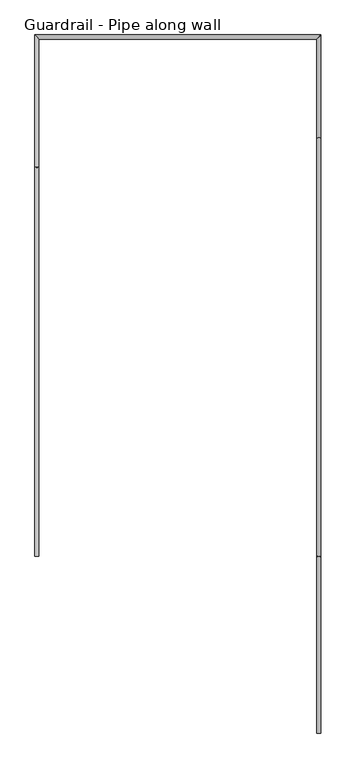
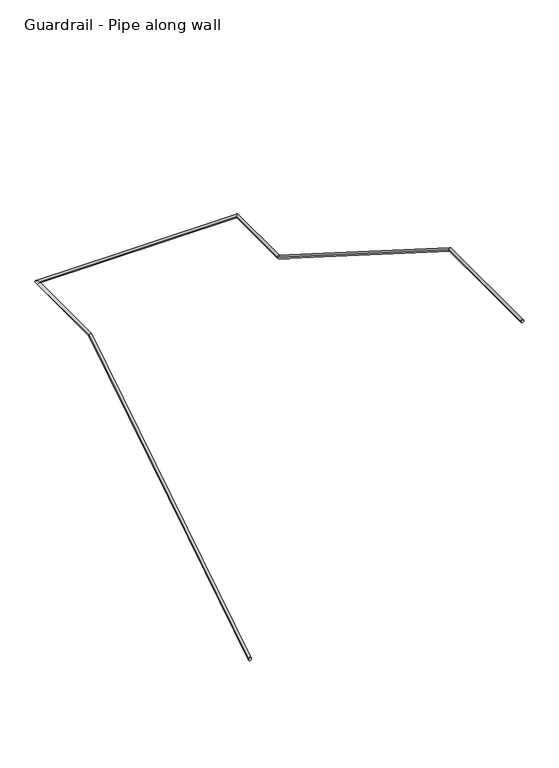
"""IFC4 building model written with IfcOpenShell, lengths in millimetres: railing geometry, Guardrail - Pipe along wall."""

from ifc_helpers import new_model, si_unit, frame, origin, place, context, project, spatial, circle_curve, ellipse_curve, source, transform, mapped, element, save
from ifc_brep_helpers import plane_surface, cylinder_surface, advanced_brep


def guardrail_pipe_along_wall_f0e0dd3e(model_context):
    return source(origin(), model_context, "Body", "AdvancedBrep", [
        advanced_brep(
        [(660871.2754676, -293345.4080223, 916.3134838), (660833.1754676, -293345.4080223, 916.3134838), (660833.1754676, -289707.6854408, 3218.9796296), (660871.2754676, -289707.6854408, 3218.9796296), (660833.1754676, -288474.9580223, 3218.9796296), (660871.2754676, -288513.0580223, 3218.9796296), (663504.1957983, -288474.9580223, 3218.9796296), (663466.0957983, -288513.0580223, 3218.9796296), (663504.1957983, -289439.3306039, 3218.9796296), (663466.0957983, -289439.3306039, 3218.9796296), (663504.1957983, -293350.9306039, 5695.0092593), (663466.0957983, -293350.9306039, 5695.0092593), (663466.0957983, -294996.4080223, 5695.0092593), (663504.1957983, -294996.4080223, 5695.0092593)],
        [
            (0, 1, ellipse_curve(frame((660852.2254676, -293345.4080223, 916.3134838), z_axis=(0.0, -1.0, 0.0), x_axis=(0.0, 0.0, -1.0)), 22.5457755, 19.05)),
            (1, 0, ellipse_curve(frame((660852.2254676, -293345.4080223, 916.3134838), z_axis=(0.0, -1.0, 0.0), x_axis=(0.0, 0.0, -1.0)), 22.5457755, 19.05)),
            (1, 2),
            (2, 3, ellipse_curve(frame((660852.2254676, -289707.6854408, 3218.9796296), z_axis=(0.0, -0.9604550090529093, -0.27843522691135153), x_axis=(0.0, 0.2784352269113508, -0.9604550090529096)), 19.8343492, 19.05)),
            (3, 0),
            (3, 2, ellipse_curve(frame((660852.2254676, -289707.6854408, 3218.9796296), z_axis=(0.0, -0.9604550090529093, -0.27843522691135153), x_axis=(0.0, 0.2784352269113508, -0.9604550090529096)), 19.8343492, 19.05)),
            (2, 4),
            (4, 5, ellipse_curve(frame((660852.2254676, -288494.0080223, 3218.9796296), z_axis=(-0.7071067811866005, -0.7071067811864945, 0.0), x_axis=(0.7071067811864946, -0.7071067811866004, 0.0)), 26.9407684, 19.05)),
            (5, 3),
            (5, 4, ellipse_curve(frame((660852.2254676, -288494.0080223, 3218.9796296), z_axis=(-0.7071067811866005, -0.7071067811864945, 0.0), x_axis=(0.7071067811864946, -0.7071067811866004, 0.0)), 26.9407684, 19.05)),
            (4, 6),
            (6, 7, ellipse_curve(frame((663485.1457983, -288494.0080223, 3218.9796296), z_axis=(-0.7071067811864945, 0.7071067811866005, 0.0), x_axis=(-0.7071067811866005, -0.7071067811864944, 0.0)), 26.9407684, 19.05)),
            (7, 5),
            (7, 6, ellipse_curve(frame((663485.1457983, -288494.0080223, 3218.9796296), z_axis=(-0.7071067811864945, 0.7071067811866005, 0.0), x_axis=(-0.7071067811866005, -0.7071067811864944, 0.0)), 26.9407684, 19.05)),
            (6, 8),
            (8, 9, ellipse_curve(frame((663485.1457983, -289439.3306039, 3218.9796296), z_axis=(0.0, 0.9604550090529086, -0.27843522691135364), x_axis=(0.0, 0.2784352269113546, 0.9604550090529084)), 19.8343492, 19.05)),
            (9, 7),
            (9, 8, ellipse_curve(frame((663485.1457983, -289439.3306039, 3218.9796296), z_axis=(0.0, 0.9604550090529086, -0.27843522691135364), x_axis=(0.0, 0.2784352269113546, 0.9604550090529084)), 19.8343492, 19.05)),
            (8, 10),
            (10, 11, ellipse_curve(frame((663485.1457983, -293350.9306039, 5695.0092593), z_axis=(0.0, 0.9604550090529086, -0.2784352269113537), x_axis=(0.0, -0.27843522691135303, -0.9604550090529088)), 19.8343492, 19.05)),
            (11, 9),
            (11, 10, ellipse_curve(frame((663485.1457983, -293350.9306039, 5695.0092593), z_axis=(0.0, 0.9604550090529086, -0.2784352269113537), x_axis=(0.0, -0.27843522691135303, -0.9604550090529088)), 19.8343492, 19.05)),
            (12, 13, circle_curve(frame((663485.1457983, -294996.4080223, 5695.0092593), z_axis=(0.0, -1.0, 0.0), x_axis=(1.0, 0.0, 0.0)), 19.05)),
            (13, 12, circle_curve(frame((663485.1457983, -294996.4080223, 5695.0092593), z_axis=(0.0, -1.0, 0.0), x_axis=(1.0, 0.0, 0.0)), 19.05)),
            (10, 13),
            (12, 11),
        ],
        [
            plane_surface(frame((660852.2254676, -293345.4080223, 938.8592593), z_axis=(0.0, -1.0, 0.0), x_axis=(0.0, 0.0, 1.0))),
            cylinder_surface(frame((660852.2254676, -293335.2191486, 922.7630065), z_axis=(0.0, -0.8449476488296483, -0.534849016767582), x_axis=(-1.0, 0.0, 0.0)), 19.05),
            cylinder_surface(frame((660852.2254676, -289713.2080223, 3218.9796296), z_axis=(0.0, -1.0, 0.0), x_axis=(-1.0, 0.0, 0.0)), 19.05),
            cylinder_surface(frame((660852.2254676, -288494.0080223, 3218.9796296), z_axis=(-1.0, 0.0, 0.0), x_axis=(0.0, 1.0, 0.0)), 19.05),
            cylinder_surface(frame((663485.1457983, -288494.0080223, 3218.9796296), z_axis=(0.0, 1.0, 0.0), x_axis=(1.0, 0.0, 0.0)), 19.05),
            cylinder_surface(frame((663485.1457983, -289443.9968961, 3221.9333769), z_axis=(0.0, 0.844947648829646, -0.5348490167675858), x_axis=(1.0, 0.0, 0.0)), 19.05),
            plane_surface(frame((663485.1457983, -294996.4080223, 5714.0592593), z_axis=(0.0, -1.0, 0.0), x_axis=(0.0, 0.0, -1.0))),
            cylinder_surface(frame((663485.1457983, -293345.4080223, 5695.0092593), z_axis=(0.0, 1.0, 0.0), x_axis=(1.0, 0.0, 0.0)), 19.05),
        ],
        [
            (0, [[1, 2]]),
            (1, [[-2, 3, 4, 5]]),
            (1, [[-1, -5, 6, -3]]),
            (2, [[-4, 7, 8, 9]]),
            (2, [[-6, -9, 10, -7]]),
            (3, [[-8, 11, 12, 13]]),
            (3, [[-10, -13, 14, -11]]),
            (4, [[-12, 15, 16, 17]]),
            (4, [[-14, -17, 18, -15]]),
            (5, [[-16, 19, 20, 21]]),
            (5, [[-18, -21, 22, -19]]),
            (6, [[23, 24]]),
            (7, [[-20, 25, -23, 26]]),
            (7, [[-22, -26, -24, -25]]),
        ],
    ),
    ])


if __name__ == "__main__":
    model = new_model("IFC4")
    model_context = context("Model", 3, world=origin())
    ifc_project = project(units=[si_unit("LENGTHUNIT", "METRE", prefix="MILLI")], contexts=[model_context])
    site = spatial("IfcSite", under=ifc_project)
    building = spatial("IfcBuilding", under=site)
    placement = place(None, origin())
    guardrail_pipe_along_wall_shape = guardrail_pipe_along_wall_f0e0dd3e(model_context)
    element("IfcRailing", 1, ObjectType="Guardrail - Pipe along wall", at=placement, inside=building, context=model_context, shape_type="MappedRepresentation", body=[
        mapped(guardrail_pipe_along_wall_shape, transform((0.0, 0.0, 0.0), x_axis=(1.0, 0.0, 0.0), y_axis=(0.0, 1.0, 0.0), z_axis=(0.0, 0.0, 1.0))),
    ])
    save(model, "model.ifc")
